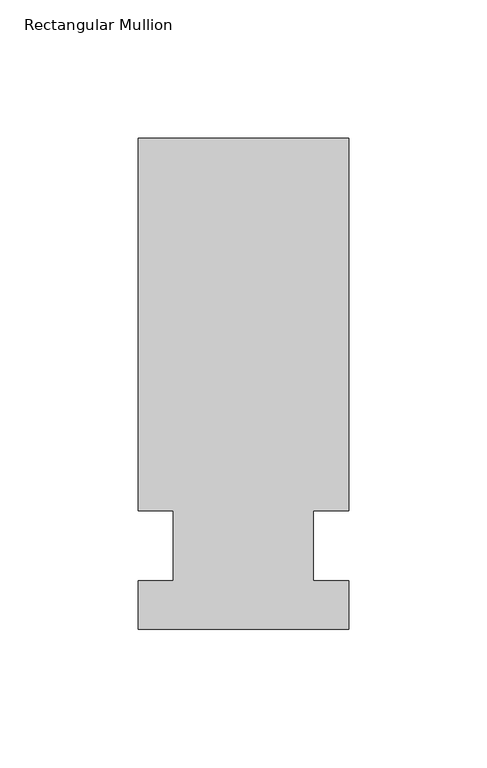
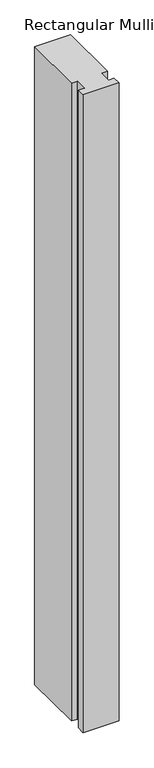
"""IFC4 building model written with IfcOpenShell, lengths in millimetres: member geometry, Rectangular Mullion."""

from ifc_helpers import new_model, si_unit, frame, origin, place, context, project, spatial, polyline, outline, extrude, source, transform, mapped, element, save


def rectangular_mullion_487fa6b1(model_context):
    return source(origin(), model_context, "Body", "SweptSolid", [
        extrude(outline(polyline([(38.4656527, 147.6375), (38.4656527, 12.7), (25.7638822, 12.7), (25.7638822, -12.7), (38.4656527, -12.7), (38.4656527, -30.1625), (-37.7343473, -30.1625), (-37.7343473, -12.7), (-25.0343473, -12.7), (-25.0343473, 12.7), (-37.7343473, 12.7), (-37.7343473, 147.6375), (38.4656527, 147.6375)])), frame((0.0, 0.0, -1430.8666667), z_axis=(0.0, 0.0, 1.0), x_axis=(1.0, 0.0, 0.0)), (0.0, 0.0, 1.0), 1430.8666667),
    ])


if __name__ == "__main__":
    model = new_model("IFC4")
    model_context = context("Model", 3, world=origin())
    ifc_project = project(units=[si_unit("LENGTHUNIT", "METRE", prefix="MILLI")], contexts=[model_context])
    site = spatial("IfcSite", under=ifc_project)
    building = spatial("IfcBuilding", under=site)
    placement = place(None, origin())
    rectangular_mullion_shape = rectangular_mullion_487fa6b1(model_context)
    element("IfcMember", 1, ObjectType="Rectangular Mullion", at=placement, inside=building, context=model_context, shape_type="MappedRepresentation", body=[
        mapped(rectangular_mullion_shape, transform((0.0, 0.0, 0.0), x_axis=(1.0, 0.0, 0.0), y_axis=(0.0, 1.0, 0.0), z_axis=(0.0, 0.0, 1.0))),
    ])
    save(model, "model.ifc")
